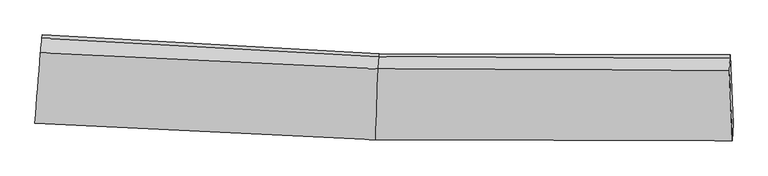
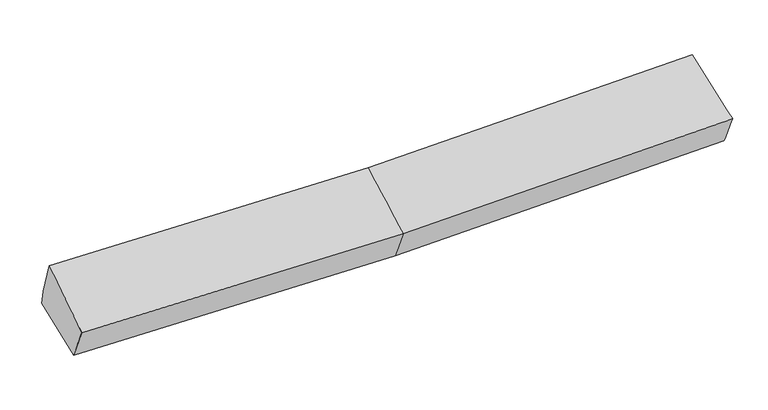
"""IFC4 building model written with IfcOpenShell, lengths in millimetres: proxy geometry."""

import ifcopenshell
import ifcopenshell.guid

model = None  # the IFC model being written
_history = None  # IfcOwnerHistory: only IFC2X3 demands one
_inside = {}  # id of a spatial element -> (the spatial element, [elements in it])
_under = {}  # id of a project, library or spatial element -> (it, [spatial elements below it])
_declared = {}  # id of a project -> (the project, [libraries it declares])
_typed = {}  # id of a type object -> (the type object, [elements of that type])
_made_of = {}  # id of a material, layer set ... -> (it, [elements and type objects made of it])


def new_model(schema):
    """Start an empty IFC model of exactly this schema.

    Asked for "IFC4X3", IfcOpenShell would pick the latest addendum, in which some entities
    have other attributes; the version numbers below select the first issue.
    IFC2X3 requires an IfcOwnerHistory on every rooted entity: one is made here for all.
    """
    global model, _history
    if schema == "IFC4X3":
        model = ifcopenshell.file(schema_version=(4, 3, 0, 0))
    else:
        model = ifcopenshell.file(schema=schema)
    _inside.clear()
    _under.clear()
    _declared.clear()
    _typed.clear()
    _made_of.clear()
    _history = None
    if model.schema == "IFC2X3":
        org = make("IfcOrganization", Name="unknown")
        user = make(
            "IfcPersonAndOrganization",
            ThePerson=make("IfcPerson", FamilyName="unknown"),
            TheOrganization=org,
        )
        app = make(
            "IfcApplication",
            ApplicationDeveloper=org,
            Version="unknown",
            ApplicationFullName="unknown",
            ApplicationIdentifier="unknown",
        )
        _history = make(
            "IfcOwnerHistory",
            OwningUser=user,
            OwningApplication=app,
            ChangeAction="ADDED",
            CreationDate=0,
        )
    return model


def make(cls, **values):
    """One entity of the class cls with the attributes given. An attribute that is None is left unset."""
    return model.create_entity(
        cls, **{name: value for name, value in values.items() if value is not None}
    )


def rooted(cls, **values):
    """An entity with a GlobalId (a new one), such as an element, a storey or a relation."""
    return make(cls, GlobalId=ifcopenshell.guid.new(), OwnerHistory=_history, **values)


def si_unit(unit_type, name, prefix=None):
    """IfcSIUnit, for example si_unit("LENGTHUNIT", "METRE", prefix="MILLI")."""
    return make("IfcSIUnit", UnitType=unit_type, Prefix=prefix, Name=name)


def assignment(units):
    """IfcUnitAssignment: the units of a project."""
    return None if units is None else make("IfcUnitAssignment", Units=units)


def point(xyz):
    """IfcCartesianPoint."""
    return None if xyz is None else make("IfcCartesianPoint", Coordinates=xyz)


def direction(xyz):
    """IfcDirection."""
    return None if xyz is None else make("IfcDirection", DirectionRatios=xyz)


def frame(location, z_axis=None, x_axis=None):
    """IfcAxis2Placement3D, a coordinate frame: its origin and axes. An axis left out is left unset."""
    return make(
        "IfcAxis2Placement3D",
        Location=point(location),
        Axis=direction(z_axis),
        RefDirection=direction(x_axis),
    )


def origin():
    """The frame at (0, 0, 0) with its axes left unset."""
    return frame((0.0, 0.0, 0.0))


def place(relative_to, where):
    """IfcLocalPlacement: puts the frame where relative to a parent placement (None: the world)."""
    return make(
        "IfcLocalPlacement", PlacementRelTo=relative_to, RelativePlacement=where
    )


def context(
    kind, dimensions, precision=None, world=None, true_north=None, identifier=None
):
    """IfcGeometricRepresentationContext, for example the 3D "Model" context."""
    return make(
        "IfcGeometricRepresentationContext",
        ContextIdentifier=identifier,
        ContextType=kind,
        CoordinateSpaceDimension=dimensions,
        Precision=precision,
        WorldCoordinateSystem=world,
        TrueNorth=true_north,
    )


def project(units=None, contexts=None):
    """IfcProject with its units and contexts."""
    return rooted(
        "IfcProject",
        Name="project",
        RepresentationContexts=contexts,
        UnitsInContext=assignment(units),
    )


def spatial(cls, under=None, at=None, **own):
    """A site, building, storey or space (cls), placed at a placement, below another one or the project."""
    s = rooted(cls, ObjectPlacement=at, **own)
    if under is not None:
        _under.setdefault(under.id(), (under, []))[1].append(s)
    return s


def shape(context_of_items, identifier, shape_type, items):
    """IfcShapeRepresentation: the items that make up one representation, for example the "Body"."""
    return make(
        "IfcShapeRepresentation",
        ContextOfItems=context_of_items,
        RepresentationIdentifier=identifier,
        RepresentationType=shape_type,
        Items=items,
    )


def source(mapping_origin, context_of_items, identifier, shape_type, items):
    """IfcRepresentationMap: a shape defined once, which mapped items show again and again."""
    return make(
        "IfcRepresentationMap",
        MappingOrigin=mapping_origin,
        MappedRepresentation=shape(context_of_items, identifier, shape_type, items),
    )


def transform(
    local_origin,
    x_axis=None,
    y_axis=None,
    z_axis=None,
    scale=None,
    scale2=None,
    scale3=None,
    uniform=True,
):
    """IfcCartesianTransformationOperator3D, or its non-uniform kind. x_axis, y_axis, z_axis: its Axis1, 2, 3."""
    if uniform:
        return make(
            "IfcCartesianTransformationOperator3D",
            Axis1=direction(x_axis),
            Axis2=direction(y_axis),
            LocalOrigin=point(local_origin),
            Scale=scale,
            Axis3=direction(z_axis),
        )
    return make(
        "IfcCartesianTransformationOperator3DnonUniform",
        Axis1=direction(x_axis),
        Axis2=direction(y_axis),
        LocalOrigin=point(local_origin),
        Scale=scale,
        Axis3=direction(z_axis),
        Scale2=scale2,
        Scale3=scale3,
    )


def mapped(mapping_source, mapping_target):
    """IfcMappedItem: shows the shape of a source again, moved by a transform."""
    return make(
        "IfcMappedItem", MappingSource=mapping_source, MappingTarget=mapping_target
    )


def made_of(thing, what):
    """Note that an element or type object is made of a material, layer set ...; save() writes the relation."""
    if what is not None:
        _made_of.setdefault(what.id(), (what, []))[1].append(thing)
    return thing


def element(
    cls,
    number,
    at=None,
    inside=None,
    cuts=None,
    type_object=None,
    material=None,
    context=None,
    identifier="Body",
    shape_type=None,
    held_by="IfcProductDefinitionShape",
    body=None,
    shapes=None,
    **own,
):
    """One element of the class cls, such as IfcWall. Its Tag is "e" and its number.

    at: its placement. inside: the storey or other place that contains it. cuts: it is an
    opening in that element (IfcRelVoidsElement). A single representation is given by context,
    identifier, shape_type and body (its items); several are given by shapes. held_by: the class
    of the entity that holds the representations. save() writes the other relations.
    """
    e = rooted(cls, Tag="e%d" % number, ObjectPlacement=at, **own)
    if body is not None:
        shapes = [shape(context, identifier, shape_type, body)]
    if shapes is not None:
        e.Representation = make(held_by, Representations=shapes)
    if inside is not None:
        _inside.setdefault(inside.id(), (inside, []))[1].append(e)
    if cuts is not None:
        rooted(
            "IfcRelVoidsElement", RelatingBuildingElement=cuts, RelatedOpeningElement=e
        )
    if type_object is not None:
        _typed.setdefault(type_object.id(), (type_object, []))[1].append(e)
    return made_of(e, material)


def aggregate(whole, parts):
    """IfcRelAggregates: a whole, such as a stair, and the parts it consists of."""
    return rooted("IfcRelAggregates", RelatingObject=whole, RelatedObjects=parts)


def save(model, path):
    """Write the relations noted so far, then the file.

    IfcRelAggregates (storeys below a building ...), IfcRelContainedInSpatialStructure (elements
    in a storey), IfcRelDefinesByType, IfcRelAssociatesMaterial and IfcRelDeclares: one each for
    every whole, place, type object, material and project.
    """
    for whole, parts in _under.values():
        aggregate(whole, parts)
    for where, things in _inside.values():
        rooted(
            "IfcRelContainedInSpatialStructure",
            RelatedElements=things,
            RelatingStructure=where,
        )
    for kind, things in _typed.values():
        rooted("IfcRelDefinesByType", RelatedObjects=things, RelatingType=kind)
    for what, things in _made_of.values():
        rooted("IfcRelAssociatesMaterial", RelatedObjects=things, RelatingMaterial=what)
    for by, libraries in _declared.values():
        rooted("IfcRelDeclares", RelatingContext=by, RelatedDefinitions=libraries)
    model.write(path)


def plane_surface(at):
    """IfcPlane: the flat surface through the origin of the frame at, square to its z axis."""
    return make("IfcPlane", Position=at)


def spline_surface(u_degree, v_degree, points, u_multiplicities, v_multiplicities, u_knots, v_knots, weights=None):
    """IfcBSplineSurfaceWithKnots; with weights, IfcRationalBSplineSurfaceWithKnots. points: one row for each step in u."""
    own = dict(
        UDegree=u_degree,
        VDegree=v_degree,
        ControlPointsList=[[point(p) for p in row] for row in points],
        SurfaceForm="UNSPECIFIED",
        UClosed=False,
        VClosed=False,
        SelfIntersect=False,
        UMultiplicities=u_multiplicities,
        VMultiplicities=v_multiplicities,
        UKnots=u_knots,
        VKnots=v_knots,
        KnotSpec="UNSPECIFIED",
    )
    if weights is None:
        return make("IfcBSplineSurfaceWithKnots", **own)
    return make("IfcRationalBSplineSurfaceWithKnots", WeightsData=weights, **own)


def advanced_brep(points, edges, surfaces, faces):
    """IfcAdvancedBrep: a solid bounded by faces that lie on surfaces and meet in shared edges.

    An edge is (start, end): straight between two places in points (the first is 0);
    or (start, end, curve); or (start, end, curve, False) where it runs against its curve.
    A face is (place in surfaces, loops), or (place, loops, False) where it looks against
    its surface's normal. A loop lists edges by number (the first is 1), with a minus sign
    where the edge is run from its end to its start. The first loop is the outer one.
    """
    corners = [point(p) for p in points]
    vertices = [make("IfcVertexPoint", VertexGeometry=c) for c in corners]
    made = []
    for start, end, *more in edges:
        made.append(
            make(
                "IfcEdgeCurve",
                EdgeStart=vertices[start],
                EdgeEnd=vertices[end],
                EdgeGeometry=more[0] if more else make("IfcPolyline", Points=[corners[start], corners[end]]),
                SameSense=more[1] if len(more) > 1 else True,
            )
        )
    hull = []
    for where, loops, *sense in faces:
        bounds = []
        for j, loop in enumerate(loops):
            ring = [make("IfcOrientedEdge", EdgeElement=made[abs(k) - 1], Orientation=k > 0) for k in loop]
            bounds.append(
                make(
                    "IfcFaceOuterBound" if j == 0 else "IfcFaceBound",
                    Bound=make("IfcEdgeLoop", EdgeList=ring),
                    Orientation=True,
                )
            )
        hull.append(make("IfcAdvancedFace", Bounds=bounds, FaceSurface=surfaces[where], SameSense=sense[0] if sense else True))
    return make("IfcAdvancedBrep", Outer=make("IfcClosedShell", CfsFaces=hull))


def generic_models_1fcd896c(model_context):
    return source(origin(), model_context, "Body", "AdvancedBrep", [
        advanced_brep(
        [(-3404.550673, -1990.9211132, 2022.4421404), (-3387.1980299, -1808.0188681, 1649.5774267), (-66.7219507, -1982.3205413, 1713.2587565), (-79.1512603, -2150.2955583, 2063.9429718), (-3332.7138506, -1127.0189919, 1802.1246088), (-40.7885239, -1309.3358323, 1863.3222059), (-3336.5648106, -1161.6894477, 1958.2755922), (-44.158114, -1339.6724811, 1999.9543163), (-3350.4343551, -1301.3436195, 2337.329905), (-54.9685323, -1458.8713293, 2378.5025546), (3390.0852675, -1356.4852283, 2096.2856242), (3382.3183115, -1471.3643347, 2455.3750524), (3413.6257937, -2163.0931892, 2142.11632), (3419.4866594, -1995.0821132, 1791.2781214), (3393.9362275, -1321.8147725, 1940.1346408)],
        [
            (0, 1),
            (1, 2),
            (2, 3),
            (3, 0),
            (1, 4),
            (4, 5),
            (5, 1),
            (4, 6),
            (6, 7),
            (7, 5),
            (6, 8),
            (8, 9),
            (9, 7),
            (8, 0),
            (3, 9),
            (10, 11),
            (11, 12),
            (12, 13),
            (13, 14),
            (14, 10),
            (5, 2),
            (9, 11),
            (10, 7),
            (3, 12),
            (2, 13),
            (5, 14),
        ],
        [
            spline_surface(1, 1, [[(-3404.550673, -1990.9211132, 2022.4421404), (-79.1512603, -2150.2955583, 2063.9429718)], [(-3387.1980299, -1808.0188681, 1649.5774267), (-66.7219507, -1982.3205413, 1713.2587565)]], [2, 2], [2, 2], [0.0, 1.0], [0.0, 1.0]),
            plane_surface(frame((-3359.9559402, -1467.51893, 1725.8510177), z_axis=(0.030115390034437837, 0.2161936348024028, -0.97588594392685), x_axis=(0.07783454190587999, 0.9728569660355719, 0.21792454593818453))),
            plane_surface(frame((-3334.6393306, -1144.3542198, 1880.2001005), z_axis=(0.049938184670616864, 0.9747471142453591, 0.2176562449877062), x_axis=(-0.024068500299594116, -0.2166903487045143, 0.9759436459507509))),
            spline_surface(1, 1, [[(-3336.5648106, -1161.6894477, 1958.2755922), (-44.158114, -1339.6724811, 1999.9543163)], [(-3350.4343551, -1301.3436195, 2337.329905), (-54.9685323, -1458.8713293, 2378.5025546)]], [2, 2], [2, 2], [0.0, 1.0], [0.0, 1.0]),
            spline_surface(1, 1, [[(-3350.4343551, -1301.3436195, 2337.329905), (-54.9685323, -1458.8713293, 2378.5025546)], [(-3404.550673, -1990.9211132, 2022.4421404), (-79.1512603, -2150.2955583, 2063.9429718)]], [2, 2], [2, 2], [0.0, 1.0], [0.0, 1.0]),
            plane_surface(frame((3399.8904519, -1661.5679276, 2085.0379518), z_axis=(0.9990242815719812, 0.030946418075521953, 0.03150879302483266), x_axis=(-0.0205966620377075, -0.30464008490972, 0.9522448194551142))),
            plane_surface(frame((-3362.2923438, -1477.7984081, 1953.9499346), z_axis=(-0.9966757202719616, 0.08120724360771835, -0.006549214151591102), x_axis=(0.07120568143957383, 0.9073388075357016, 0.41432600602715863))),
            plane_surface(frame((-3387.1980299, -1808.0188681, 1649.5774267), z_axis=(0.03007618797619147, 0.21643434807616002, -0.9758337952180528), x_axis=(0.03758467650330696, 0.9753401579440556, 0.21748326003121835))),
            spline_surface(1, 1, [[(-44.158114, -1339.6724811, 1999.9543163), (3390.0852675, -1356.4852283, 2096.2856242)], [(-54.9685323, -1458.8713293, 2378.5025546), (3382.3183115, -1471.3643347, 2455.3750524)]], [2, 2], [2, 2], [0.0, 1.0], [0.0, 1.0]),
            spline_surface(1, 1, [[(-54.9685323, -1458.8713293, 2378.5025546), (3382.3183115, -1471.3643347, 2455.3750524)], [(-79.1512603, -2150.2955583, 2063.9429718), (3413.6257937, -2163.0931892, 2142.11632)]], [2, 2], [2, 2], [0.0, 1.0], [0.0, 1.0]),
            spline_surface(1, 1, [[(-79.1512603, -2150.2955583, 2063.9429718), (3413.6257937, -2163.0931892, 2142.11632)], [(-66.7219507, -1982.3205413, 1713.2587565), (3419.4866594, -1995.0821132, 1791.2781214)]], [2, 2], [2, 2], [0.0, 1.0], [0.0, 1.0]),
            spline_surface(1, 1, [[(-66.7219507, -1982.3205413, 1713.2587565), (3419.4866594, -1995.0821132, 1791.2781214)], [(-40.7885239, -1309.3358323, 1863.3222059), (3393.9362275, -1321.8147725, 1940.1346408)]], [2, 2], [2, 2], [0.0, 1.0], [0.0, 1.0]),
            plane_surface(frame((-42.473319, -1324.5041567, 1931.6382611), z_axis=(-0.0012998508353797926, 0.9762324053296756, 0.2167224057914683), x_axis=(-0.024068500299530986, -0.21669034870454415, 0.9759436459507458))),
        ],
        [
            (0, [[1, 2, 3, 4]]),
            (1, [[5, 6, 7]]),
            (2, [[8, 9, 10, -6]]),
            (3, [[11, 12, 13, -9]]),
            (4, [[14, -4, 15, -12]]),
            (5, [[16, 17, 18, 19, 20]]),
            (6, [[-14, -11, -8, -5, -1]]),
            (7, [[21, -2, -7]]),
            (8, [[-13, 22, -16, 23]]),
            (9, [[-15, 24, -17, -22]]),
            (10, [[-3, 25, -18, -24]]),
            (11, [[-21, 26, -19, -25]]),
            (12, [[-10, -23, -20, -26]]),
        ],
    ),
    ])


if __name__ == "__main__":
    model = new_model("IFC4")
    model_context = context("Model", 3, world=origin())
    ifc_project = project(units=[si_unit("LENGTHUNIT", "METRE", prefix="MILLI")], contexts=[model_context])
    site = spatial("IfcSite", under=ifc_project)
    building = spatial("IfcBuilding", under=site)
    placement = place(None, origin())
    generic_models_shape = generic_models_1fcd896c(model_context)
    element("IfcBuildingElementProxy", 1, Name="Generic Models", at=placement, inside=building, context=model_context, shape_type="MappedRepresentation", body=[
        mapped(generic_models_shape, transform((0.0, 0.0, 0.0), x_axis=(1.0, 0.0, 0.0), y_axis=(0.0, 1.0, 0.0), z_axis=(0.0, 0.0, 1.0))),
    ])
    save(model, "model.ifc")
